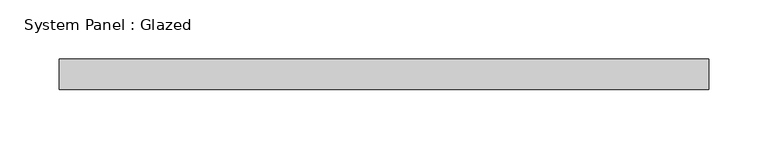
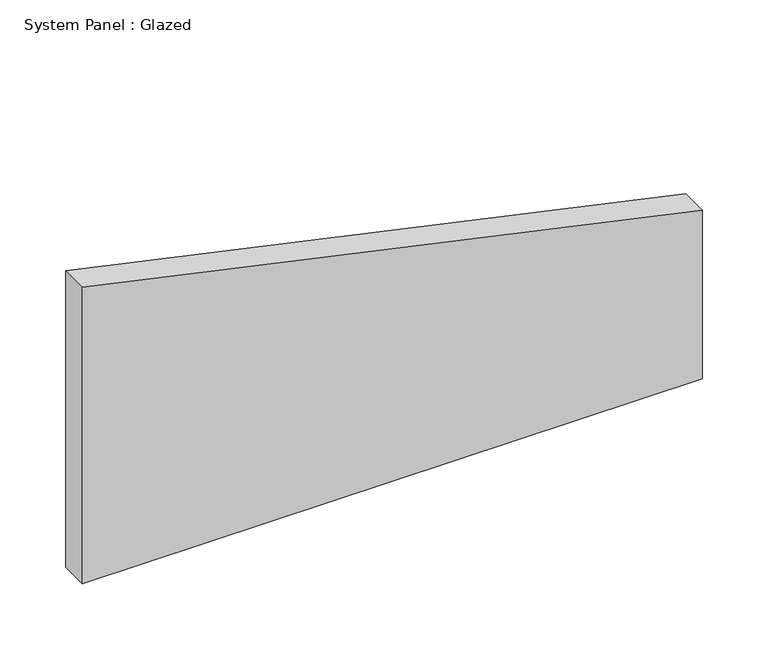
"""IFC4 building model written with IfcOpenShell, lengths in millimetres: plate geometry, System Panel : Glazed."""

from ifc_helpers import new_model, si_unit, frame, origin, place, context, project, spatial, polyline, outline, extrude, source, transform, mapped, element, save


def system_panel_glazed_d4552723(model_context):
    return source(origin(), model_context, "Body", "SweptSolid", [
        extrude(outline(polyline([(0.0, -273.05), (0.0, 273.05), (156.5998635, 273.05), (275.9686493, -273.05), (0.0, -273.05)])), frame((0.0, 19.05, 0.0), z_axis=(0.0, 1.0, 0.0), x_axis=(0.0, 0.0, 1.0)), (0.0, 0.0, 1.0), 25.4),
    ])


if __name__ == "__main__":
    model = new_model("IFC4")
    model_context = context("Model", 3, world=origin())
    ifc_project = project(units=[si_unit("LENGTHUNIT", "METRE", prefix="MILLI")], contexts=[model_context])
    site = spatial("IfcSite", under=ifc_project)
    building = spatial("IfcBuilding", under=site)
    placement = place(None, origin())
    system_panel_glazed_shape = system_panel_glazed_d4552723(model_context)
    element("IfcPlate", 1, ObjectType="System Panel : Glazed", at=placement, inside=building, context=model_context, shape_type="MappedRepresentation", body=[
        mapped(system_panel_glazed_shape, transform((0.0, 0.0, 0.0), x_axis=(1.0, 0.0, 0.0), y_axis=(0.0, 1.0, 0.0), z_axis=(0.0, 0.0, 1.0))),
    ])
    save(model, "model.ifc")
